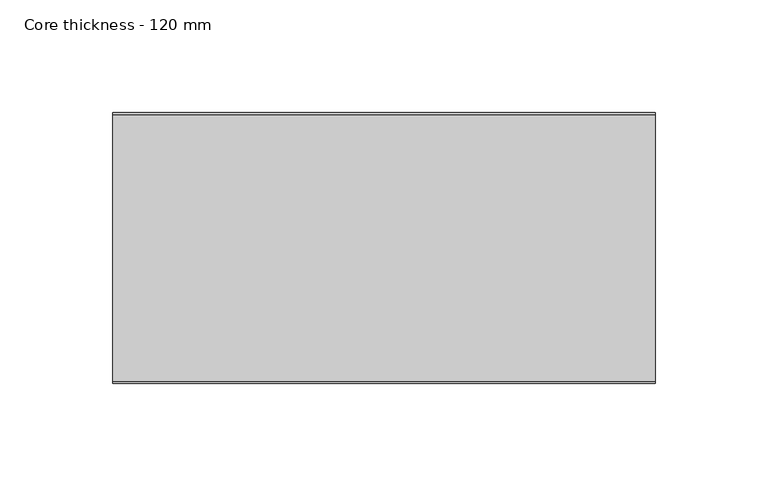
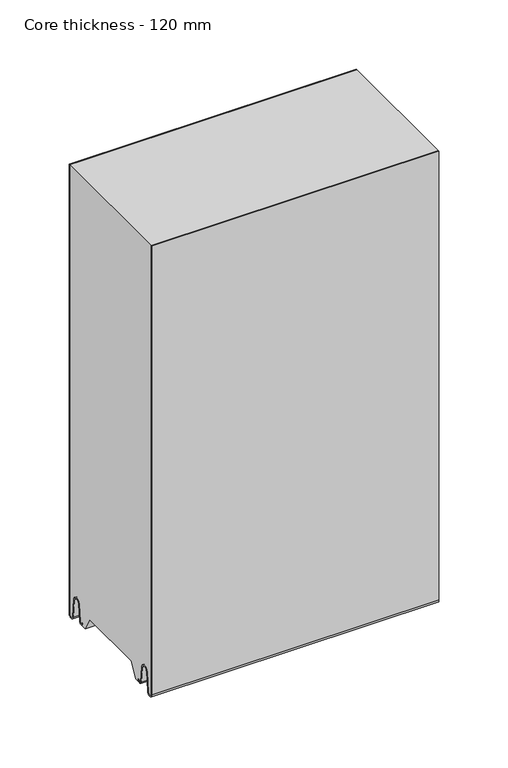
"""IFC4 building model written with IfcOpenShell, lengths in millimetres: plate geometry, Core thickness - 120 mm."""

from ifc_helpers import new_model, si_unit, frame, origin, place, context, project, spatial, polyline, circle_curve, source, transform, mapped, element, save
from ifc_brep_helpers import plane_surface, cylinder_surface, revolved_surface, advanced_brep


def core_thickness_120_mm_0fee2c9d(model_context):
    return source(origin(), model_context, "Body", "AdvancedBrep", [
        advanced_brep(
        [(119.9999998, -119.9996949, 2.9900682), (119.9999998, -113.81449, 2.6875612), (119.9999998, -112.197116, 19.1828169), (119.9999998, -109.1776715, 21.8898782), (119.9999998, -106.1582271, 19.1828169), (119.9999998, -104.7725998, 5.0510966), (119.9999998, -100.3830995, 5.265779), (119.9999998, -101.1830995, 5.265779), (119.9999998, -103.9764178, 5.1291629), (119.9999998, -105.3620451, 19.2608832), (119.9999998, -109.1776715, 22.6899182), (119.9999998, -112.9932979, 19.2608832), (119.9999998, -114.6106719, 2.7656275), (119.9999998, -119.1996949, 2.9900682), (119.9999998, -119.2, 400.0), (119.9999998, -119.9996949, 400.0), (-119.9999998, -119.1996949, 2.9900682), (-119.9999998, -114.6106719, 2.7656275), (-119.9999998, -112.9932979, 19.2608832), (-119.9999998, -109.1776715, 22.6899182), (-119.9999998, -105.3620451, 19.2608832), (-119.9999998, -103.9764178, 5.1291629), (-119.9999998, -101.1830995, 5.265779), (-119.9999998, -100.3830995, 5.265779), (-119.9999998, -104.7725998, 5.0510966), (-119.9999998, -106.1582271, 19.1828169), (-119.9999998, -109.1776715, 21.8898782), (-119.9999998, -112.197116, 19.1828169), (-119.9999998, -113.81449, 2.6875612), (-119.9999998, -119.9996949, 2.9900682), (-119.9999998, -119.9996949, 400.0), (-119.9999998, -119.2, 400.0)],
        [
            (0, 1, circle_curve(frame((119.9999998, -116.8996949, 2.9900682), z_axis=(1.0, 0.0, 0.0), x_axis=(0.0, 0.0, -1.0)), 3.1)),
            (1, 2),
            (2, 3, circle_curve(frame((119.9999998, -109.2114338, 18.8900682), z_axis=(-1.0, 0.0, 0.0), x_axis=(0.0, 0.0, -1.0)), 3.0)),
            (3, 4, circle_curve(frame((119.9999998, -109.1439093, 18.8900682), z_axis=(-1.0, 0.0, 0.0), x_axis=(0.0, 0.0, -1.0)), 3.0)),
            (4, 5),
            (5, 6, circle_curve(frame((119.9999998, -102.5830995, 5.265779), z_axis=(1.0, 0.0, 0.0), x_axis=(0.0, 0.0, -1.0)), 2.2)),
            (6, 7),
            (7, 8, circle_curve(frame((119.9999998, -102.5830995, 5.265779), z_axis=(-1.0, 0.0, 0.0), x_axis=(0.0, 0.0, -1.0)), 1.4)),
            (8, 9),
            (9, 10, circle_curve(frame((119.9999998, -109.1439093, 18.8900682), z_axis=(1.0, 0.0, 0.0), x_axis=(0.0, 0.0, -1.0)), 3.8)),
            (10, 11, circle_curve(frame((119.9999998, -109.2114338, 18.8900682), z_axis=(1.0, 0.0, 0.0), x_axis=(0.0, 0.0, -1.0)), 3.8)),
            (11, 12),
            (12, 13, circle_curve(frame((119.9999998, -116.8996949, 2.9900682), z_axis=(-1.0, 0.0, 0.0), x_axis=(0.0, 0.0, -1.0)), 2.3)),
            (13, 14),
            (14, 15),
            (15, 0),
            (16, 17, circle_curve(frame((-119.9999998, -116.8996949, 2.9900682), z_axis=(1.0, 0.0, 0.0), x_axis=(0.0, 0.0, -1.0)), 2.3)),
            (17, 18),
            (18, 19, circle_curve(frame((-119.9999998, -109.2114338, 18.8900682), z_axis=(-1.0, 0.0, 0.0), x_axis=(0.0, 0.0, -1.0)), 3.8)),
            (19, 20, circle_curve(frame((-119.9999998, -109.1439093, 18.8900682), z_axis=(-1.0, 0.0, 0.0), x_axis=(0.0, 0.0, -1.0)), 3.8)),
            (20, 21),
            (21, 22, circle_curve(frame((-119.9999998, -102.5830995, 5.265779), z_axis=(1.0, 0.0, 0.0), x_axis=(0.0, 0.0, -1.0)), 1.4)),
            (22, 23),
            (23, 24, circle_curve(frame((-119.9999998, -102.5830995, 5.265779), z_axis=(-1.0, 0.0, 0.0), x_axis=(0.0, 0.0, -1.0)), 2.2)),
            (24, 25),
            (25, 26, circle_curve(frame((-119.9999998, -109.1439093, 18.8900682), z_axis=(1.0, 0.0, 0.0), x_axis=(0.0, 0.0, -1.0)), 3.0)),
            (26, 27, circle_curve(frame((-119.9999998, -109.2114338, 18.8900682), z_axis=(1.0, 0.0, 0.0), x_axis=(0.0, 0.0, -1.0)), 3.0)),
            (27, 28),
            (28, 29, circle_curve(frame((-119.9999998, -116.8996949, 2.9900682), z_axis=(-1.0, 0.0, 0.0), x_axis=(0.0, 0.0, -1.0)), 3.1)),
            (29, 30),
            (30, 31),
            (31, 16),
            (13, 16),
            (31, 14),
            (29, 0),
            (15, 30),
            (12, 17),
            (11, 18),
            (10, 19),
            (9, 20),
            (8, 21),
            (7, 22),
            (6, 23),
            (5, 24),
            (4, 25),
            (3, 26),
            (2, 27),
            (1, 28),
        ],
        [
            plane_surface(frame((119.9999998, -120.0, 0.0), z_axis=(1.0, 0.0, 0.0), x_axis=(0.0, 1.0, 0.0))),
            plane_surface(frame((-119.9999998, -120.0, 0.0), z_axis=(-1.0, 0.0, 0.0), x_axis=(0.0, 1.0, 0.0))),
            plane_surface(frame((119.9999998, -119.2, 2.9900682), z_axis=(0.0, 1.0, 0.0), x_axis=(-1.0, 0.0, 0.0))),
            plane_surface(frame((119.9999998, -119.9996949, 1093.8000005), z_axis=(0.0, -1.0, 0.0), x_axis=(-1.0, 0.0, 0.0))),
            revolved_surface(polyline([(-119.9999998, -116.8996949, 0.6900682000000002), (119.9999998, -116.8996949, 0.6900682000000002)]), (119.9999998, -116.8996949, 2.9900682), (-1.0, 0.0, 0.0)),
            plane_surface(frame((119.9999998, -112.9932979, 19.2608832), z_axis=(0.0, -0.9952273999818314, 0.09758289975914787), x_axis=(-1.0, 0.0, 0.0))),
            cylinder_surface(frame((119.9999998, -109.2114338, 18.8900682), z_axis=(1.0, 0.0, 0.0), x_axis=(0.0, 0.0, -1.0)), 3.8),
            cylinder_surface(frame((119.9999998, -109.1439093, 18.8900682), z_axis=(1.0, 0.0, 0.0), x_axis=(0.0, 0.0, -1.0)), 3.8),
            plane_surface(frame((119.9999998, -103.9764178, 5.1291629), z_axis=(0.0, 0.9952273999818297, 0.09758289975916531), x_axis=(-1.0, 0.0, 0.0))),
            revolved_surface(polyline([(-119.9999998, -102.5830995, 3.8657790000000003), (119.9999998, -102.5830995, 3.8657790000000003)]), (119.9999998, -102.5830995, 5.265779), (-1.0, 0.0, 0.0)),
            plane_surface(frame((119.9999998, -100.3830995, 5.265779), z_axis=(0.0, 0.0, 1.0), x_axis=(-1.0, 0.0, 0.0))),
            cylinder_surface(frame((119.9999998, -102.5830995, 5.265779), z_axis=(1.0, 0.0, 0.0), x_axis=(0.0, 0.0, -1.0)), 2.2),
            plane_surface(frame((119.9999998, -106.1582271, 19.1828169), z_axis=(0.0, -0.9952273999818296, -0.09758289975916527), x_axis=(-1.0, 0.0, 0.0))),
            revolved_surface(polyline([(-119.9999998, -109.1439093, 15.890068200000002), (119.9999998, -109.1439093, 15.890068200000002)]), (119.9999998, -109.1439093, 18.8900682), (-1.0, 0.0, 0.0)),
            revolved_surface(polyline([(-119.9999998, -109.2114338, 15.890068200000002), (119.9999998, -109.2114338, 15.890068200000002)]), (119.9999998, -109.2114338, 18.8900682), (-1.0, 0.0, 0.0)),
            plane_surface(frame((119.9999998, -113.81449, 2.6875612), z_axis=(0.0, 0.9952273999818314, -0.09758289975914787), x_axis=(-1.0, 0.0, 0.0))),
            cylinder_surface(frame((119.9999998, -116.8996949, 2.9900682), z_axis=(1.0, 0.0, 0.0), x_axis=(0.0, 0.0, -1.0)), 3.1),
            plane_surface(frame((-119.9999998, 134.0533409, 400.0), z_axis=(0.0, 0.0, 1.0), x_axis=(1.0, 0.0, 0.0))),
        ],
        [
            (0, [[1, 2, 3, 4, 5, 6, 7, 8, 9, 10, 11, 12, 13, 14, 15, 16]]),
            (1, [[17, 18, 19, 20, 21, 22, 23, 24, 25, 26, 27, 28, 29, 30, 31, 32]]),
            (2, [[33, -32, 34, -14]]),
            (3, [[35, -16, 36, -30]]),
            (4, [[-13, 37, -17, -33]]),
            (5, [[-12, 38, -18, -37]]),
            (6, [[-11, 39, -19, -38]]),
            (7, [[-10, 40, -20, -39]]),
            (8, [[-9, 41, -21, -40]]),
            (9, [[-8, 42, -22, -41]]),
            (10, [[-7, 43, -23, -42]]),
            (11, [[-6, 44, -24, -43]]),
            (12, [[-5, 45, -25, -44]]),
            (13, [[-4, 46, -26, -45]]),
            (14, [[-3, 47, -27, -46]]),
            (15, [[-2, 48, -28, -47]]),
            (16, [[-1, -35, -29, -48]]),
            (17, [[-15, -34, -31, -36]]),
        ],
    ),
        advanced_brep(
        [(119.9999998, -0.8003051, 2.9900682), (119.9999998, -5.3893281, 2.7656275), (119.9999998, -7.0067021, 19.2608832), (119.9999998, -10.8223285, 22.6899182), (119.9999998, -14.6379549, 19.2608832), (119.9999998, -16.0235822, 5.1291629), (119.9999998, -18.8169005, 5.265779), (119.9999998, -19.6169005, 5.265779), (119.9999998, -15.2274002, 5.0510966), (119.9999998, -13.8417729, 19.1828169), (119.9999998, -10.8223285, 21.8898782), (119.9999998, -7.802884, 19.1828169), (119.9999998, -6.18551, 2.6875612), (119.9999998, -0.0003051, 2.9900682), (119.9999998, -0.0003051, 400.0), (119.9999998, -0.8, 400.0), (-119.9999998, -0.0003051, 2.9900682), (-119.9999998, -6.18551, 2.6875612), (-119.9999998, -7.802884, 19.1828169), (-119.9999998, -10.8223285, 21.8898782), (-119.9999998, -13.8417729, 19.1828169), (-119.9999998, -15.2274002, 5.0510966), (-119.9999998, -19.6169005, 5.265779), (-119.9999998, -18.8169005, 5.265779), (-119.9999998, -16.0235822, 5.1291629), (-119.9999998, -14.6379549, 19.2608832), (-119.9999998, -10.8223285, 22.6899182), (-119.9999998, -7.0067021, 19.2608832), (-119.9999998, -5.3893281, 2.7656275), (-119.9999998, -0.8003051, 2.9900682), (-119.9999998, -0.8, 400.0), (-119.9999998, -0.0003051, 400.0)],
        [
            (0, 1, circle_curve(frame((119.9999998, -3.1003051, 2.9900682), z_axis=(-1.0, 0.0, 0.0), x_axis=(0.0, 0.0, -1.0)), 2.3)),
            (1, 2),
            (2, 3, circle_curve(frame((119.9999998, -10.7885662, 18.8900682), z_axis=(1.0, 0.0, 0.0), x_axis=(0.0, 0.0, -1.0)), 3.8)),
            (3, 4, circle_curve(frame((119.9999998, -10.8560907, 18.8900682), z_axis=(1.0, 0.0, 0.0), x_axis=(0.0, 0.0, -1.0)), 3.8)),
            (4, 5),
            (5, 6, circle_curve(frame((119.9999998, -17.4169005, 5.265779), z_axis=(-1.0, 0.0, 0.0), x_axis=(0.0, 0.0, -1.0)), 1.4)),
            (6, 7),
            (7, 8, circle_curve(frame((119.9999998, -17.4169005, 5.265779), z_axis=(1.0, 0.0, 0.0), x_axis=(0.0, 0.0, -1.0)), 2.2)),
            (8, 9),
            (9, 10, circle_curve(frame((119.9999998, -10.8560907, 18.8900682), z_axis=(-1.0, 0.0, 0.0), x_axis=(0.0, 0.0, -1.0)), 3.0)),
            (10, 11, circle_curve(frame((119.9999998, -10.7885662, 18.8900682), z_axis=(-1.0, 0.0, 0.0), x_axis=(0.0, 0.0, -1.0)), 3.0)),
            (11, 12),
            (12, 13, circle_curve(frame((119.9999998, -3.1003051, 2.9900682), z_axis=(1.0, 0.0, 0.0), x_axis=(0.0, 0.0, -1.0)), 3.1)),
            (13, 14),
            (14, 15),
            (15, 0),
            (16, 17, circle_curve(frame((-119.9999998, -3.1003051, 2.9900682), z_axis=(-1.0, 0.0, 0.0), x_axis=(0.0, 0.0, -1.0)), 3.1)),
            (17, 18),
            (18, 19, circle_curve(frame((-119.9999998, -10.7885662, 18.8900682), z_axis=(1.0, 0.0, 0.0), x_axis=(0.0, 0.0, -1.0)), 3.0)),
            (19, 20, circle_curve(frame((-119.9999998, -10.8560907, 18.8900682), z_axis=(1.0, 0.0, 0.0), x_axis=(0.0, 0.0, -1.0)), 3.0)),
            (20, 21),
            (21, 22, circle_curve(frame((-119.9999998, -17.4169005, 5.265779), z_axis=(-1.0, 0.0, 0.0), x_axis=(0.0, 0.0, -1.0)), 2.2)),
            (22, 23),
            (23, 24, circle_curve(frame((-119.9999998, -17.4169005, 5.265779), z_axis=(1.0, 0.0, 0.0), x_axis=(0.0, 0.0, -1.0)), 1.4)),
            (24, 25),
            (25, 26, circle_curve(frame((-119.9999998, -10.8560907, 18.8900682), z_axis=(-1.0, 0.0, 0.0), x_axis=(0.0, 0.0, -1.0)), 3.8)),
            (26, 27, circle_curve(frame((-119.9999998, -10.7885662, 18.8900682), z_axis=(-1.0, 0.0, 0.0), x_axis=(0.0, 0.0, -1.0)), 3.8)),
            (27, 28),
            (28, 29, circle_curve(frame((-119.9999998, -3.1003051, 2.9900682), z_axis=(1.0, 0.0, 0.0), x_axis=(0.0, 0.0, -1.0)), 2.3)),
            (29, 30),
            (30, 31),
            (31, 16),
            (13, 16),
            (31, 14),
            (29, 0),
            (15, 30),
            (12, 17),
            (11, 18),
            (10, 19),
            (9, 20),
            (8, 21),
            (7, 22),
            (6, 23),
            (5, 24),
            (4, 25),
            (3, 26),
            (2, 27),
            (1, 28),
        ],
        [
            plane_surface(frame((119.9999998, 0.0, 0.0), z_axis=(1.0, 0.0, 0.0), x_axis=(0.0, -1.0, 0.0))),
            plane_surface(frame((-119.9999998, 0.0, 0.0), z_axis=(-1.0, 0.0, 0.0), x_axis=(0.0, -1.0, 0.0))),
            plane_surface(frame((119.9999998, -0.0003051, 2.9900682), z_axis=(0.0, 1.0, 0.0), x_axis=(-1.0, 0.0, 0.0))),
            plane_surface(frame((119.9999998, -0.8, 1093.8000005), z_axis=(0.0, -1.0, 0.0), x_axis=(-1.0, 0.0, 0.0))),
            cylinder_surface(frame((119.9999998, -3.1003051, 2.9900682), z_axis=(1.0, 0.0, 0.0), x_axis=(0.0, 0.0, -1.0)), 3.1),
            plane_surface(frame((119.9999998, -7.802884, 19.1828169), z_axis=(0.0, -0.9952273999818314, -0.09758289975914787), x_axis=(-1.0, 0.0, 0.0))),
            revolved_surface(polyline([(-119.9999998, -10.7885662, 15.890068200000002), (119.9999998, -10.7885662, 15.890068200000002)]), (119.9999998, -10.7885662, 18.8900682), (-1.0, 0.0, 0.0)),
            revolved_surface(polyline([(-119.9999998, -10.8560907, 15.890068200000002), (119.9999998, -10.8560907, 15.890068200000002)]), (119.9999998, -10.8560907, 18.8900682), (-1.0, 0.0, 0.0)),
            plane_surface(frame((119.9999998, -15.2274002, 5.0510966), z_axis=(0.0, 0.9952273999818296, -0.09758289975916527), x_axis=(-1.0, 0.0, 0.0))),
            cylinder_surface(frame((119.9999998, -17.4169005, 5.265779), z_axis=(1.0, 0.0, 0.0), x_axis=(0.0, 0.0, -1.0)), 2.2),
            plane_surface(frame((119.9999998, -18.8169005, 5.265779), z_axis=(0.0, 0.0, 1.0), x_axis=(-1.0, 0.0, 0.0))),
            revolved_surface(polyline([(-119.9999998, -17.4169005, 3.8657790000000003), (119.9999998, -17.4169005, 3.8657790000000003)]), (119.9999998, -17.4169005, 5.265779), (-1.0, 0.0, 0.0)),
            plane_surface(frame((119.9999998, -14.6379549, 19.2608832), z_axis=(0.0, -0.9952273999818297, 0.09758289975916531), x_axis=(-1.0, 0.0, 0.0))),
            cylinder_surface(frame((119.9999998, -10.8560907, 18.8900682), z_axis=(1.0, 0.0, 0.0), x_axis=(0.0, 0.0, -1.0)), 3.8),
            cylinder_surface(frame((119.9999998, -10.7885662, 18.8900682), z_axis=(1.0, 0.0, 0.0), x_axis=(0.0, 0.0, -1.0)), 3.8),
            plane_surface(frame((119.9999998, -5.3893281, 2.7656275), z_axis=(0.0, 0.9952273999818314, 0.09758289975914787), x_axis=(-1.0, 0.0, 0.0))),
            revolved_surface(polyline([(-119.9999998, -3.1003051, 0.6900682000000002), (119.9999998, -3.1003051, 0.6900682000000002)]), (119.9999998, -3.1003051, 2.9900682), (-1.0, 0.0, 0.0)),
            plane_surface(frame((-119.9999998, 134.0533409, 400.0), z_axis=(0.0, 0.0, 1.0), x_axis=(1.0, 0.0, 0.0))),
        ],
        [
            (0, [[1, 2, 3, 4, 5, 6, 7, 8, 9, 10, 11, 12, 13, 14, 15, 16]]),
            (1, [[17, 18, 19, 20, 21, 22, 23, 24, 25, 26, 27, 28, 29, 30, 31, 32]]),
            (2, [[33, -32, 34, -14]]),
            (3, [[35, -16, 36, -30]]),
            (4, [[-13, 37, -17, -33]]),
            (5, [[-12, 38, -18, -37]]),
            (6, [[-11, 39, -19, -38]]),
            (7, [[-10, 40, -20, -39]]),
            (8, [[-9, 41, -21, -40]]),
            (9, [[-8, 42, -22, -41]]),
            (10, [[-7, 43, -23, -42]]),
            (11, [[-6, 44, -24, -43]]),
            (12, [[-5, 45, -25, -44]]),
            (13, [[-4, 46, -26, -45]]),
            (14, [[-3, 47, -27, -46]]),
            (15, [[-2, 48, -28, -47]]),
            (16, [[-1, -35, -29, -48]]),
            (17, [[-15, -34, -31, -36]]),
        ],
    ),
        advanced_brep(
        [(119.9999998, -89.873448, 15.0417681), (119.9999998, -30.126552, 15.0417681), (119.9999998, -23.4086055, 3.0684055), (119.9999998, -17.4169005, 3.0684055), (119.9999998, -19.6169005, 5.265779), (119.9999998, -18.8169005, 5.265779), (119.9999998, -16.0235822, 5.1291629), (119.9999998, -14.6379549, 19.2608832), (119.9999998, -10.8223285, 22.6899182), (119.9999998, -7.0067021, 19.2608832), (119.9999998, -5.3893281, 2.7656275), (119.9999998, -0.8003051, 2.9900682), (119.9999998, -0.8, 400.0), (119.9999998, -119.2, 400.0), (119.9999998, -119.2, 2.9900682), (119.9999998, -114.6106719, 2.7656275), (119.9999998, -112.9932979, 19.2608832), (119.9999998, -109.1776715, 22.6899182), (119.9999998, -105.3620451, 19.2608832), (119.9999998, -103.9764178, 5.1291629), (119.9999998, -101.1830995, 5.265779), (119.9999998, -100.3830995, 5.265779), (119.9999998, -102.5830995, 3.065779), (119.9999998, -96.5913945, 3.0684055), (-119.9999998, -30.126552, 15.0417681), (-119.9999998, -89.873448, 15.0417681), (-119.9999998, -96.5913945, 3.0684055), (-119.9999998, -102.5830995, 3.0684055), (-119.9999998, -100.3830995, 5.265779), (-119.9999998, -101.1830995, 5.265779), (-119.9999998, -103.9764178, 5.1291629), (-119.9999998, -105.3620451, 19.2608832), (-119.9999998, -109.1776715, 22.6899182), (-119.9999998, -112.9932979, 19.2608832), (-119.9999998, -114.6106719, 2.7656275), (-119.9999998, -119.1996949, 2.9900682), (-119.9999998, -119.2, 400.0), (-119.9999998, -0.8, 400.0), (-119.9999998, -0.8, 2.9900682), (-119.9999998, -5.3893281, 2.7656275), (-119.9999998, -7.0067021, 19.2608832), (-119.9999998, -10.8223285, 22.6899182), (-119.9999998, -14.6379549, 19.2608832), (-119.9999998, -16.0235822, 5.1291629), (-119.9999998, -18.8169005, 5.265779), (-119.9999998, -19.6169005, 5.265779), (-119.9999998, -17.4169005, 3.065779), (-119.9999998, -23.4086055, 3.0684055)],
        [
            (0, 1),
            (1, 2),
            (2, 3),
            (3, 4, circle_curve(frame((119.9999998, -17.4169005, 5.265779), z_axis=(-1.0, 0.0, 0.0), x_axis=(0.0, 0.0, -1.0)), 2.2)),
            (4, 5),
            (5, 6, circle_curve(frame((119.9999998, -17.4169005, 5.265779), z_axis=(1.0, 0.0, 0.0), x_axis=(0.0, 0.0, -1.0)), 1.4)),
            (6, 7),
            (7, 8, circle_curve(frame((119.9999998, -10.8560907, 18.8900682), z_axis=(-1.0, 0.0, 0.0), x_axis=(0.0, 0.0, -1.0)), 3.8)),
            (8, 9, circle_curve(frame((119.9999998, -10.7885662, 18.8900682), z_axis=(-1.0, 0.0, 0.0), x_axis=(0.0, 0.0, -1.0)), 3.8)),
            (9, 10),
            (10, 11, circle_curve(frame((119.9999998, -3.1003051, 2.9900682), z_axis=(1.0, 0.0, 0.0), x_axis=(0.0, 0.0, -1.0)), 2.3)),
            (11, 12),
            (12, 13),
            (13, 14),
            (14, 15, circle_curve(frame((119.9999998, -116.8996949, 2.9900682), z_axis=(1.0, 0.0, 0.0), x_axis=(0.0, 0.0, -1.0)), 2.3)),
            (15, 16),
            (16, 17, circle_curve(frame((119.9999998, -109.2114338, 18.8900682), z_axis=(-1.0, 0.0, 0.0), x_axis=(0.0, 0.0, -1.0)), 3.8)),
            (17, 18, circle_curve(frame((119.9999998, -109.1439093, 18.8900682), z_axis=(-1.0, 0.0, 0.0), x_axis=(0.0, 0.0, -1.0)), 3.8)),
            (18, 19),
            (19, 20, circle_curve(frame((119.9999998, -102.5830995, 5.265779), z_axis=(1.0, 0.0, 0.0), x_axis=(0.0, 0.0, -1.0)), 1.4)),
            (20, 21),
            (21, 22, circle_curve(frame((119.9999998, -102.5830995, 5.265779), z_axis=(-1.0, 0.0, 0.0), x_axis=(0.0, 0.0, -1.0)), 2.2)),
            (22, 23),
            (23, 0),
            (24, 25),
            (25, 26),
            (26, 27),
            (27, 28, circle_curve(frame((-119.9999998, -102.5830995, 5.265779), z_axis=(1.0, 0.0, 0.0), x_axis=(0.0, 0.0, -1.0)), 2.2)),
            (28, 29),
            (29, 30, circle_curve(frame((-119.9999998, -102.5830995, 5.265779), z_axis=(-1.0, 0.0, 0.0), x_axis=(0.0, 0.0, -1.0)), 1.4)),
            (30, 31),
            (31, 32, circle_curve(frame((-119.9999998, -109.1439093, 18.8900682), z_axis=(1.0, 0.0, 0.0), x_axis=(0.0, 0.0, -1.0)), 3.8)),
            (32, 33, circle_curve(frame((-119.9999998, -109.2114338, 18.8900682), z_axis=(1.0, 0.0, 0.0), x_axis=(0.0, 0.0, -1.0)), 3.8)),
            (33, 34),
            (34, 35, circle_curve(frame((-119.9999998, -116.8996949, 2.9900682), z_axis=(-1.0, 0.0, 0.0), x_axis=(0.0, 0.0, -1.0)), 2.3)),
            (35, 36),
            (36, 37),
            (37, 38),
            (38, 39, circle_curve(frame((-119.9999998, -3.1003051, 2.9900682), z_axis=(-1.0, 0.0, 0.0), x_axis=(0.0, 0.0, -1.0)), 2.3)),
            (39, 40),
            (40, 41, circle_curve(frame((-119.9999998, -10.7885662, 18.8900682), z_axis=(1.0, 0.0, 0.0), x_axis=(0.0, 0.0, -1.0)), 3.8)),
            (41, 42, circle_curve(frame((-119.9999998, -10.8560907, 18.8900682), z_axis=(1.0, 0.0, 0.0), x_axis=(0.0, 0.0, -1.0)), 3.8)),
            (42, 43),
            (43, 44, circle_curve(frame((-119.9999998, -17.4169005, 5.265779), z_axis=(-1.0, 0.0, 0.0), x_axis=(0.0, 0.0, -1.0)), 1.4)),
            (44, 45),
            (45, 46, circle_curve(frame((-119.9999998, -17.4169005, 5.265779), z_axis=(1.0, 0.0, 0.0), x_axis=(0.0, 0.0, -1.0)), 2.2)),
            (46, 47),
            (47, 24),
            (1, 24),
            (47, 2),
            (0, 25),
            (23, 26),
            (46, 3),
            (22, 27),
            (35, 14),
            (13, 36),
            (34, 15),
            (33, 16),
            (32, 17),
            (31, 18),
            (30, 19),
            (29, 20),
            (28, 21),
            (12, 37),
            (11, 38),
            (45, 4),
            (44, 5),
            (43, 6),
            (42, 7),
            (41, 8),
            (40, 9),
            (39, 10),
        ],
        [
            plane_surface(frame((119.9999998, 0.0, 0.0), z_axis=(1.0, 0.0, 0.0), x_axis=(0.0, -1.0, 0.0))),
            plane_surface(frame((-119.9999998, 0.0, 0.0), z_axis=(-1.0, 0.0, 0.0), x_axis=(0.0, -1.0, 0.0))),
            plane_surface(frame((119.9999998, -30.126552, 15.0417681), z_axis=(0.0, -0.8721062992196836, -0.4893164649399687), x_axis=(-1.0, 0.0, 0.0))),
            plane_surface(frame((119.9999998, -89.873448, 15.0417681), z_axis=(0.0, 0.0, -1.0), x_axis=(-1.0, 0.0, 0.0))),
            plane_surface(frame((119.9999998, -96.8190247, 2.6627014), z_axis=(0.0, 0.8721062992196852, -0.48931646493996606), x_axis=(-1.0, 0.0, 0.0))),
            plane_surface(frame((-119.9999998, -102.5830995, 3.0684055), z_axis=(0.0, 0.0, -1.0), x_axis=(1.0, 0.0, 0.0))),
            plane_surface(frame((249.9999998, -119.2, 2.9900682), z_axis=(0.0, -1.0, 0.0), x_axis=(-1.0, 0.0, 0.0))),
            cylinder_surface(frame((249.9999998, -116.8996949, 2.9900682), z_axis=(-1.0, 0.0, 0.0), x_axis=(0.0, 0.0, -1.0)), 2.3),
            plane_surface(frame((249.9999998, -112.9932979, 19.2608832), z_axis=(0.0, 0.9952273999818314, -0.09758289975914787), x_axis=(-1.0, 0.0, 0.0))),
            revolved_surface(polyline([(119.99999980000001, -109.2114338, 15.090068200000001), (-119.99999980000001, -109.2114338, 15.090068200000001)]), (249.9999998, -109.2114338, 18.8900682), (1.0, 0.0, 0.0)),
            revolved_surface(polyline([(119.99999980000001, -109.1439093, 15.090068200000001), (-119.99999980000001, -109.1439093, 15.090068200000001)]), (249.9999998, -109.1439093, 18.8900682), (1.0, 0.0, 0.0)),
            plane_surface(frame((249.9999998, -103.9764178, 5.1291629), z_axis=(0.0, -0.9952273999818297, -0.09758289975916531), x_axis=(-1.0, 0.0, 0.0))),
            cylinder_surface(frame((249.9999998, -102.5830995, 5.265779), z_axis=(-1.0, 0.0, 0.0), x_axis=(0.0, 0.0, -1.0)), 1.4),
            plane_surface(frame((249.9999998, -100.3830995, 5.265779), z_axis=(0.0, 0.0, -1.0), x_axis=(-1.0, 0.0, 0.0))),
            revolved_surface(polyline([(119.99999980000001, -102.5830995, 3.065779), (-119.99999980000001, -102.5830995, 3.065779)]), (249.9999998, -102.5830995, 5.265779), (1.0, 0.0, 0.0)),
            plane_surface(frame((-119.9999998, 134.0533409, 400.0), z_axis=(0.0, 0.0, 1.0), x_axis=(1.0, 0.0, 0.0))),
            plane_surface(frame((249.9999998, -0.8, 1093.8000005), z_axis=(0.0, 1.0, 0.0), x_axis=(-1.0, 0.0, 0.0))),
            revolved_surface(polyline([(119.99999980000001, -17.4169005, 3.065779), (-119.99999980000001, -17.4169005, 3.065779)]), (249.9999998, -17.4169005, 5.265779), (1.0, 0.0, 0.0)),
            plane_surface(frame((249.9999998, -18.8169005, 5.265779), z_axis=(0.0, 0.0, -1.0), x_axis=(-1.0, 0.0, 0.0))),
            cylinder_surface(frame((249.9999998, -17.4169005, 5.265779), z_axis=(-1.0, 0.0, 0.0), x_axis=(0.0, 0.0, -1.0)), 1.4),
            plane_surface(frame((249.9999998, -14.6379549, 19.2608832), z_axis=(0.0, 0.9952273999818297, -0.09758289975916531), x_axis=(-1.0, 0.0, 0.0))),
            revolved_surface(polyline([(119.99999980000001, -10.8560907, 15.090068200000001), (-119.99999980000001, -10.8560907, 15.090068200000001)]), (249.9999998, -10.8560907, 18.8900682), (1.0, 0.0, 0.0)),
            revolved_surface(polyline([(119.99999980000001, -10.7885662, 15.090068200000001), (-119.99999980000001, -10.7885662, 15.090068200000001)]), (249.9999998, -10.7885662, 18.8900682), (1.0, 0.0, 0.0)),
            plane_surface(frame((249.9999998, -5.3893281, 2.7656275), z_axis=(0.0, -0.9952273999818314, -0.09758289975914787), x_axis=(-1.0, 0.0, 0.0))),
            cylinder_surface(frame((249.9999998, -3.1003051, 2.9900682), z_axis=(-1.0, 0.0, 0.0), x_axis=(0.0, 0.0, -1.0)), 2.3),
        ],
        [
            (0, [[1, 2, 3, 4, 5, 6, 7, 8, 9, 10, 11, 12, 13, 14, 15, 16, 17, 18, 19, 20, 21, 22, 23, 24]]),
            (1, [[25, 26, 27, 28, 29, 30, 31, 32, 33, 34, 35, 36, 37, 38, 39, 40, 41, 42, 43, 44, 45, 46, 47, 48]]),
            (2, [[49, -48, 50, -2]]),
            (3, [[-1, 51, -25, -49]]),
            (4, [[-51, -24, 52, -26]]),
            (5, [[-3, -50, -47, 53]]),
            (5, [[-23, 54, -27, -52]]),
            (6, [[55, -14, 56, -36]]),
            (7, [[-55, -35, 57, -15]]),
            (8, [[-57, -34, 58, -16]]),
            (9, [[-58, -33, 59, -17]]),
            (10, [[-59, -32, 60, -18]]),
            (11, [[-60, -31, 61, -19]]),
            (12, [[-61, -30, 62, -20]]),
            (13, [[-62, -29, 63, -21]]),
            (14, [[-63, -28, -54, -22]]),
            (15, [[64, -37, -56, -13]]),
            (16, [[65, -38, -64, -12]]),
            (17, [[66, -4, -53, -46]]),
            (18, [[-66, -45, 67, -5]]),
            (19, [[-67, -44, 68, -6]]),
            (20, [[-68, -43, 69, -7]]),
            (21, [[-69, -42, 70, -8]]),
            (22, [[-70, -41, 71, -9]]),
            (23, [[-71, -40, 72, -10]]),
            (24, [[-72, -39, -65, -11]]),
        ],
    ),
    ])


if __name__ == "__main__":
    model = new_model("IFC4")
    model_context = context("Model", 3, world=origin())
    ifc_project = project(units=[si_unit("LENGTHUNIT", "METRE", prefix="MILLI")], contexts=[model_context])
    site = spatial("IfcSite", under=ifc_project)
    building = spatial("IfcBuilding", under=site)
    placement = place(None, origin())
    core_thickness_120_mm_shape = core_thickness_120_mm_0fee2c9d(model_context)
    element("IfcPlate", 1, ObjectType="Core thickness - 120 mm", at=placement, inside=building, context=model_context, shape_type="MappedRepresentation", body=[
        mapped(core_thickness_120_mm_shape, transform((0.0, 0.0, 0.0), x_axis=(1.0, 0.0, 0.0), y_axis=(0.0, 1.0, 0.0), z_axis=(0.0, 0.0, 1.0))),
    ])
    save(model, "model.ifc")
